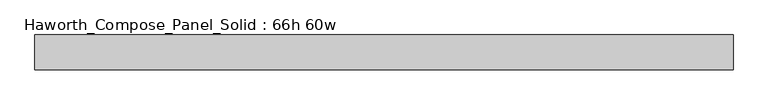
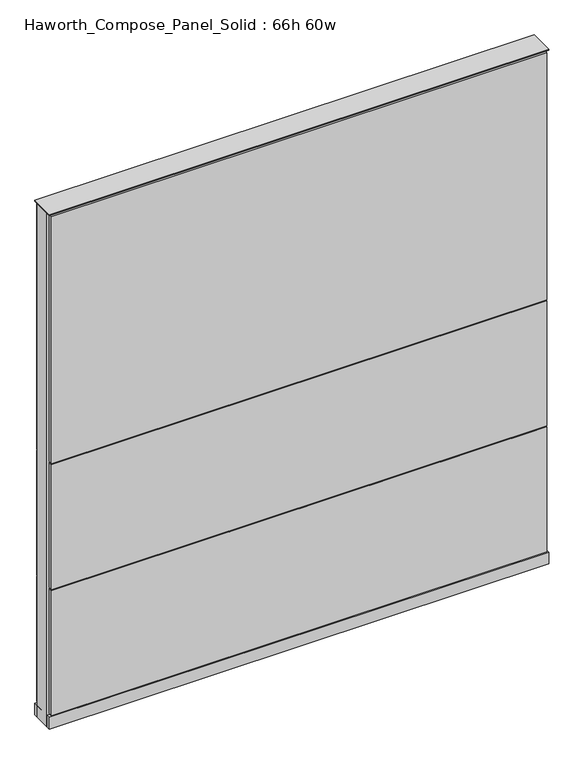
"""IFC4 building model written with IfcOpenShell, lengths in millimetres: furniture geometry, Haworth_Compose_Panel_Solid : 66h 60w."""

from ifc_helpers import new_model, si_unit, point, frame, frame_2d, origin, origin_with_axes, place, context, project, spatial, polyline, circle_curve, trimmed, segment, composite_curve, outline, extrude, source, transform, mapped, element, save


def haworth_compose_panel_solid_66h_60w_8e082806(model_context):
    return source(origin(), model_context, "Body", "SweptSolid", [
        extrude(outline(composite_curve([segment(trimmed(circle_curve(frame_2d((-683.3597098, 0.0)), 12.7), [point((-696.0597098, 0.0))], [point((-670.6597098, 0.0))], False, "CARTESIAN"), True, "CONTINUOUS"), segment(trimmed(circle_curve(frame_2d((-683.3597098, 0.0)), 12.7), [point((-670.6597098, 0.0))], [point((-696.0597098, 0.0))], False, "CARTESIAN"), True, "CONTINUOUS")], self_intersect=False)), origin_with_axes(), (0.0, 0.0, 1.0), 12.7),
        extrude(outline(composite_curve([segment(trimmed(circle_curve(frame_2d((688.2402902, 0.0)), 12.7), [point((675.5402902, 0.0))], [point((700.9402902, 0.0))], False, "CARTESIAN"), True, "CONTINUOUS"), segment(trimmed(circle_curve(frame_2d((688.2402902, 0.0)), 12.7), [point((700.9402902, 0.0))], [point((675.5402902, 0.0))], False, "CARTESIAN"), True, "CONTINUOUS")], self_intersect=False)), origin_with_axes(), (0.0, 0.0, 1.0), 12.7),
        extrude(outline(polyline([(758.0902902, 38.1), (758.0902902, 25.4), (-753.2097098, 25.4), (-753.2097098, 38.1), (758.0902902, 38.1)])), frame((0.0, 0.0, 866.775), z_axis=(0.0, 0.0, 1.0), x_axis=(1.0, 0.0, 0.0)), (0.0, 0.0, 1.0), 796.925),
        extrude(outline(polyline([(758.0902902, 38.1), (758.0902902, 25.4), (-753.2097098, 25.4), (-753.2097098, 38.1), (758.0902902, 38.1)])), frame((0.0, 0.0, 460.375), z_axis=(0.0, 0.0, 1.0), x_axis=(1.0, 0.0, 0.0)), (0.0, 0.0, 1.0), 403.225),
        extrude(outline(polyline([(758.0902902, 38.1), (758.0902902, 25.4), (-753.2097098, 25.4), (-753.2097098, 38.1), (758.0902902, 38.1)])), frame((0.0, 0.0, 53.975), z_axis=(0.0, 0.0, 1.0), x_axis=(1.0, 0.0, 0.0)), (0.0, 0.0, 1.0), 403.225),
        extrude(outline(polyline([(758.0902902, -38.1), (-753.2097098, -38.1), (-753.2097098, -25.4), (758.0902902, -25.4), (758.0902902, -38.1)])), frame((0.0, 0.0, 866.775), z_axis=(0.0, 0.0, 1.0), x_axis=(1.0, 0.0, 0.0)), (0.0, 0.0, 1.0), 796.925),
        extrude(outline(polyline([(758.0902902, -38.1), (-753.2097098, -38.1), (-753.2097098, -25.4), (758.0902902, -25.4), (758.0902902, -38.1)])), frame((0.0, 0.0, 460.375), z_axis=(0.0, 0.0, 1.0), x_axis=(1.0, 0.0, 0.0)), (0.0, 0.0, 1.0), 403.225),
        extrude(outline(polyline([(758.0902902, -38.1), (-753.2097098, -38.1), (-753.2097098, -25.4), (758.0902902, -25.4), (758.0902902, -38.1)])), frame((0.0, 0.0, 53.975), z_axis=(0.0, 0.0, 1.0), x_axis=(1.0, 0.0, 0.0)), (0.0, 0.0, 1.0), 403.225),
        extrude(outline(polyline([(764.4402902, 25.4), (764.4402902, -25.4), (-759.5597098, -25.4), (-759.5597098, 25.4), (764.4402902, 25.4)])), frame((0.0, 0.0, 12.7), z_axis=(0.0, 0.0, 1.0), x_axis=(1.0, 0.0, 0.0)), (0.0, 0.0, 1.0), 1657.35),
        extrude(outline(polyline([(-759.5597098, -38.1), (-759.5597098, 38.1), (764.4402902, 38.1), (764.4402902, -38.1), (-759.5597098, -38.1)])), frame((0.0, 0.0, 12.7), z_axis=(0.0, 0.0, 1.0), x_axis=(1.0, 0.0, 0.0)), (0.0, 0.0, 1.0), 38.1),
        extrude(outline(polyline([(-759.5597098, -38.1), (-759.5597098, 38.1), (764.4402902, 38.1), (764.4402902, -38.1), (-759.5597098, -38.1)])), frame((0.0, 0.0, 1670.05), z_axis=(0.0, 0.0, 1.0), x_axis=(1.0, 0.0, 0.0)), (0.0, 0.0, 1.0), 3.175),
    ])


if __name__ == "__main__":
    model = new_model("IFC4")
    model_context = context("Model", 3, world=origin())
    ifc_project = project(units=[si_unit("LENGTHUNIT", "METRE", prefix="MILLI")], contexts=[model_context])
    site = spatial("IfcSite", under=ifc_project)
    building = spatial("IfcBuilding", under=site)
    placement = place(None, origin())
    haworth_compose_panel_solid_66h_60w_shape = haworth_compose_panel_solid_66h_60w_8e082806(model_context)
    element("IfcFurniture", 1, ObjectType="Haworth_Compose_Panel_Solid : 66h 60w", at=placement, inside=building, context=model_context, shape_type="MappedRepresentation", body=[
        mapped(haworth_compose_panel_solid_66h_60w_shape, transform((0.0, 0.0, 0.0), x_axis=(1.0, 0.0, 0.0), y_axis=(0.0, 1.0, 0.0), z_axis=(0.0, 0.0, 1.0))),
    ])
    save(model, "model.ifc")
